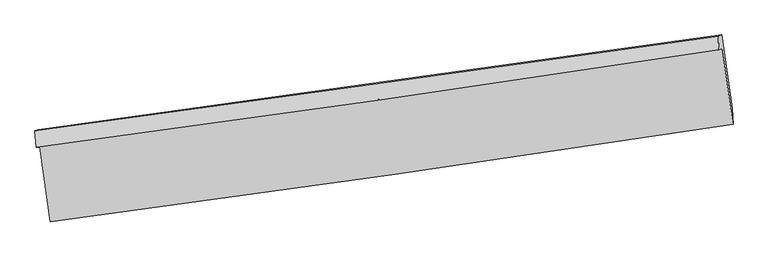
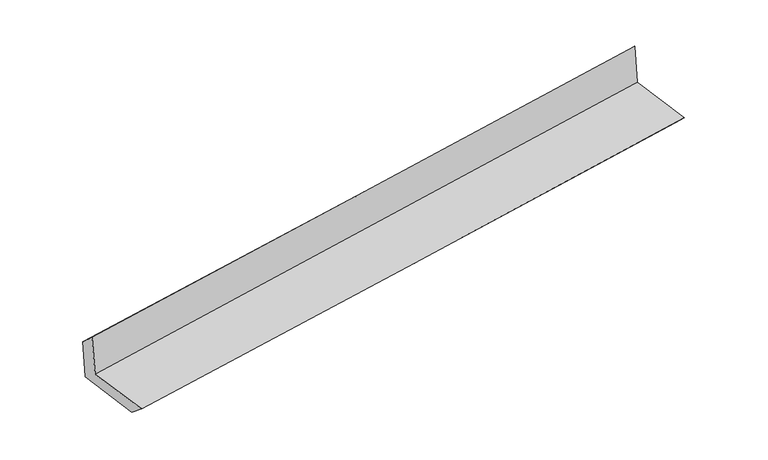
"""IFC4 building model written with IfcOpenShell, lengths in millimetres: proxy geometry."""

from ifc_helpers import new_model, si_unit, frame, origin, place, context, project, spatial, source, transform, mapped, element, save
from ifc_brep_helpers import plane_surface, spline_curve, spline_surface, advanced_brep


def generic_models_100b2df6(model_context):
    return source(origin(), model_context, "Body", "AdvancedBrep", [
        advanced_brep(
        [(-2999.4608956, -1925.2752924, 1641.6102868), (-2908.136268, -2576.6628537, 1637.6549426), (3046.3010217, -1729.3792872, 2136.1248877), (2953.3157208, -1070.2758009, 2147.2612633), (-3031.8895327, -1927.7570572, 2045.5236781), (2922.4192259, -1079.5624298, 2544.0090167), (-3041.7911797, -1783.0877193, 1918.4697203), (2916.4129857, -959.6371616, 2411.5514067), (-3010.9284499, -1777.1858182, 1527.9655996), (2946.962348, -948.6464659, 2016.1476971), (-2919.0545024, -2425.5148994, 1511.9747879), (3037.3430519, -1586.4601389, 2000.4546631)],
        [
            (0, 1),
            (1, 2, spline_curve(3, [(-2908.136268, -2576.6628537, 1637.6549426), (-1914.811604715, -2445.442671842, 1726.618431771), (-921.946066812, -2309.225602049, 1812.63934648), (1062.866362929, -2026.797742255, 1978.795992195), (2054.813254878, -1880.586956861, 2058.931726169), (3046.3010217, -1729.3792872, 2136.1248877)], [4, 2, 4], [0.0, 9.900218793443049, 19.800433639559067])),
            (2, 3),
            (3, 0, spline_curve(3, [(2953.3157208, -1070.2758009, 2147.2612633), (1961.579737772, -1220.399941878, 2071.261518878), (969.647126742, -1366.711956198, 1991.124074558), (-1014.611744915, -1651.711790019, 1822.57375244), (-2006.938006484, -1790.399605896, 1734.160871095), (-2999.4608956, -1925.2752924, 1641.6102868)], [4, 2, 4], [0.0, 9.900214846116018, 19.800433639559067])),
            (4, 0),
            (3, 5),
            (5, 4, spline_curve(3, [(2922.4192259, -1079.5624298, 2544.0090167), (1930.938599525, -1230.820713992, 2466.815000092), (939.005988871, -1377.132728386, 2386.677555877), (-1045.763596746, -1659.864274978, 2220.515778398), (-2038.600572438, -1796.283802703, 2134.491443298), (-3031.8895327, -1927.7570572, 2045.5236781)], [4, 2, 4], [0.0, 9.900216034873614, 19.80043601707473])),
            (6, 4),
            (5, 7),
            (7, 6, spline_curve(3, [(2916.4129857, -959.6371616, 2411.5514067), (1923.506228512, -1098.397029751, 2330.413925696), (930.535935151, -1236.397830138, 2248.755053004), (-1055.532119885, -1510.881349782, 2084.394491029), (-2048.629881801, -1647.364068742, 2001.692801687), (-3041.7911797, -1783.0877193, 1918.4697203)], [4, 2, 4], [0.0, 9.900019752321768, 19.80004345189278])),
            (8, 6),
            (7, 9),
            (9, 8, spline_curve(3, [(2946.962348, -948.6464659, 2016.1476971), (1953.233342355, -1086.835231071, 1944.160076353), (959.878038974, -1224.974545851, 1867.484433415), (-1026.085560887, -1501.154330207, 1704.757071544), (-2018.693856311, -1639.194799385, 1618.705348422), (-3010.9284499, -1777.1858182, 1527.9655996)], [4, 2, 4], [0.0, 9.89998517321861, 19.799974293672676])),
            (10, 8),
            (9, 11),
            (11, 10, spline_curve(3, [(3037.3430519, -1586.4601389, 2000.4546631), (2043.365172667, -1722.896337169, 1928.516671723), (1050.009868911, -1861.035652108, 1851.841029118), (-935.455982925, -2140.720570648, 1689.014407622), (-1927.566530624, -2282.266176121, 1602.863425427), (-2919.0545024, -2425.5148994, 1511.9747879)], [4, 2, 4], [0.0, 9.900069586818457, 19.80014312090603])),
            (1, 10),
            (11, 2),
        ],
        [
            spline_surface(3, 3, [[(-2999.4608956, -1925.2752924, 1641.6102868), (-2006.938006483, -1790.399605777, 1734.160871223), (-1014.611745077, -1651.711789876, 1822.573752404), (969.647126904, -1366.71195634, 1991.124074595), (1961.579737621, -1220.399941733, 2071.261518933), (2953.3157208, -1070.2758009, 2147.2612633)], [(-2969.019353069, -2142.404479513, 1640.291838735), (-1976.229205876, -2008.747294464, 1731.646724779), (-983.723185626, -1870.883060563, 1819.262283717), (1000.720205539, -1586.740551712, 1987.014713852), (1992.657576666, -1440.462280103, 2067.151588061), (2984.310821091, -1289.976963011, 2143.549138116)], [(-2938.577810531, -2359.533666587, 1638.973390665), (-1945.520405261, -2227.094983112, 1729.132578331), (-952.834626159, -2090.054331206, 1815.950815012), (1031.79328419, -1806.769147039, 1982.905353092), (2023.735415737, -1660.524618442, 2063.041657141), (3015.305921409, -1509.678125089, 2139.837012884)], [(-2908.136268, -2576.6628537, 1637.6549426), (-1914.811604653, -2445.442671798, 1726.618431887), (-921.946066708, -2309.225601893, 1812.639346326), (1062.866362825, -2026.79774241, 1978.79599235), (2054.813254781, -1880.586956812, 2058.931726269), (3046.3010217, -1729.3792872, 2136.1248877)]], [4, 4], [4, 2, 4], [0.0, 2.183125643513481], [0.0, 9.900218793443049, 19.800433639559067]),
            spline_surface(3, 3, [[(-3031.8895327, -1927.7570572, 2045.5236781), (-2038.600572427, -1796.28380282, 2134.491443362), (-1045.763596861, -1659.864274897, 2220.51577854), (939.005988987, -1377.132728468, 2386.677555735), (1930.938599604, -1230.82071396, 2466.815000073), (2922.4192259, -1079.5624298, 2544.0090167)], [(-3021.079987009, -1926.92980225, 1910.885880995), (-2028.046383789, -1794.322403789, 2001.047919311), (-1035.379646246, -1657.146779862, 2087.868436472), (949.219701646, -1373.659137731, 2254.826395332), (1941.152312263, -1227.347123224, 2334.96383967), (2932.718057521, -1076.466886839, 2411.759765544)], [(-3010.270441291, -1926.10254735, 1776.248083905), (-2017.492195122, -1792.361004808, 1867.604395274), (-1024.995695693, -1654.42928491, 1955.221094472), (959.433414244, -1370.185547077, 2122.975234998), (1951.366024962, -1223.873532469, 2203.112679336), (2943.016889179, -1073.371343861, 2279.510514456)], [(-2999.4608956, -1925.2752924, 1641.6102868), (-2006.938006483, -1790.399605777, 1734.160871223), (-1014.611745077, -1651.711789876, 1822.573752404), (969.647126904, -1366.71195634, 1991.124074595), (1961.579737621, -1220.399941733, 2071.261518933), (2953.3157208, -1070.2758009, 2147.2612633)]], [4, 4], [4, 2, 4], [0.0, 1.3059622754250129], [0.0, 9.900219982201117, 19.80043601707473]),
            spline_surface(3, 3, [[(-3041.7911797, -1783.0877193, 1918.4697203), (-2048.629881685, -1647.364068769, 2001.692801758), (-1055.532119914, -1510.881349884, 2084.394491163), (930.535935181, -1236.397830036, 2248.755052871), (1923.506228519, -1098.397029706, 2330.413925619), (2916.4129857, -959.6371616, 2411.5514067)], [(-3038.490630685, -1831.310831928, 1960.821039551), (-2045.286778584, -1697.003980114, 2045.959015611), (-1052.275945563, -1560.542324901, 2129.768253637), (933.35928645, -1283.30946286, 2294.729220507), (1925.983685559, -1142.538257776, 2375.88095044), (2918.415065778, -999.612250985, 2455.70394337)], [(-3035.190081715, -1879.533944572, 2003.172358849), (-2041.943675528, -1746.643891475, 2090.225229509), (-1049.019771213, -1610.203299879, 2175.142016066), (936.182637717, -1330.221095644, 2340.703388098), (1928.461142564, -1186.67948589, 2421.347975252), (2920.417145822, -1039.587340415, 2499.85648003)], [(-3031.8895327, -1927.7570572, 2045.5236781), (-2038.600572427, -1796.28380282, 2134.491443362), (-1045.763596861, -1659.864274897, 2220.51577854), (939.005988987, -1377.132728468, 2386.677555735), (1930.938599604, -1230.82071396, 2466.815000073), (2922.4192259, -1079.5624298, 2544.0090167)]], [4, 4], [4, 2, 4], [0.0, 0.6548729500359953], [0.0, 9.900023699571012, 19.80004345189278]),
            spline_surface(3, 3, [[(-3010.9284499, -1777.1858182, 1527.9655996), (-2018.693856413, -1639.194799347, 1618.705348394), (-1026.085560751, -1501.154330101, 1704.757071421), (959.878038838, -1224.974545957, 1867.484433539), (1953.233342494, -1086.835231112, 1944.160076299), (2946.962348, -948.6464659, 2016.1476971)], [(-3021.21602652, -1779.153118569, 1658.133639858), (-2028.672531523, -1641.917889156, 1746.367832873), (-1035.901080479, -1504.396670017, 1831.302878003), (950.097337612, -1228.782307305, 1994.574639984), (1943.324304504, -1090.689163975, 2072.911359397), (2936.779227235, -952.310031131, 2147.948933624)], [(-3031.50360308, -1781.120418931, 1788.301680042), (-2038.651206574, -1644.64097896, 1874.030317279), (-1045.716600186, -1507.639009968, 1957.848684581), (940.316636407, -1232.590068688, 2121.664846425), (1933.415266509, -1094.543096843, 2201.662642521), (2926.596106465, -955.973596369, 2279.750170176)], [(-3041.7911797, -1783.0877193, 1918.4697203), (-2048.629881685, -1647.364068769, 2001.692801758), (-1055.532119914, -1510.881349884, 2084.394491163), (930.535935181, -1236.397830036, 2248.755052871), (1923.506228519, -1098.397029706, 2330.413925619), (2916.4129857, -959.6371616, 2411.5514067)]], [4, 4], [4, 2, 4], [0.0, 1.2524093162306877], [0.0, 9.899989120454066, 19.799974293672676]),
            spline_surface(3, 3, [[(-2919.0545024, -2425.5148994, 1511.9747879), (-1927.566530728, -2282.266176113, 1602.863425534), (-935.455982979, -2140.72057078, 1689.01440772), (1050.009868965, -1861.035651977, 1851.841029019), (2043.365172621, -1722.896337132, 1928.51667188), (3037.3430519, -1586.4601389, 2000.4546631)], [(-2949.679151551, -2209.405205688, 1517.305058472), (-1957.942305941, -2067.909050545, 1608.144066493), (-965.665842244, -1927.531823898, 1694.261962273), (1019.965925581, -1649.015283314, 1857.055497178), (2013.321229238, -1510.87596847, 1933.731140038), (3007.216150592, -1373.855581244, 2005.685674452)], [(-2980.303800749, -1993.295511912, 1522.635329028), (-1988.3180812, -1853.551924914, 1613.424707435), (-995.875701486, -1714.343076983, 1699.509516868), (989.921982222, -1436.994914619, 1862.26996538), (1983.277285878, -1298.855599775, 1938.945608141), (2977.089249308, -1161.251023556, 2010.916685748)], [(-3010.9284499, -1777.1858182, 1527.9655996), (-2018.693856413, -1639.194799347, 1618.705348394), (-1026.085560751, -1501.154330101, 1704.757071421), (959.878038838, -1224.974545957, 1867.484433539), (1953.233342494, -1086.835231112, 1944.160076299), (2946.962348, -948.6464659, 2016.1476971)]], [4, 4], [4, 2, 4], [0.0, 2.114096515554648], [0.0, 9.900073534087571, 19.80014312090603]),
            spline_surface(3, 3, [[(-2908.136268, -2576.6628537, 1637.6549426), (-1914.811604653, -2445.442671798, 1726.618431887), (-921.946066708, -2309.225601893, 1812.639346326), (1062.866362825, -2026.79774241, 1978.79599235), (2054.813254781, -1880.586956812, 2058.931726269), (3046.3010217, -1729.3792872, 2136.1248877)], [(-2911.775679466, -2526.280202252, 1595.761557689), (-1919.063246677, -2391.050506556, 1685.366763091), (-926.449372132, -2253.057258188, 1771.431033472), (1058.580864871, -1971.543712265, 1936.477671255), (2050.997227411, -1828.023416908, 2015.460041467), (3043.315031783, -1681.739571089, 2090.901479494)], [(-2915.415090934, -2475.897550848, 1553.868172811), (-1923.314888704, -2336.658341356, 1644.11509433), (-930.952677555, -2196.888914485, 1730.222720574), (1054.295366919, -1916.289682122, 1894.159350114), (2047.181199992, -1775.459877036, 1971.988356682), (3040.329041817, -1634.099855011, 2045.678071306)], [(-2919.0545024, -2425.5148994, 1511.9747879), (-1927.566530728, -2282.266176113, 1602.863425534), (-935.455982979, -2140.72057078, 1689.01440772), (1050.009868965, -1861.035651977, 1851.841029019), (2043.365172621, -1722.896337132, 1928.51667188), (3037.3430519, -1586.4601389, 2000.4546631)]], [4, 4], [4, 2, 4], [0.0, 0.6866680793441678], [0.0, 9.900067533982185, 19.80013112069765]),
            plane_surface(frame((2970.459059, -1228.9935474, 2209.2581558), z_axis=(0.9871987732262958, 0.1379189898045508, 0.08010577002806418), x_axis=(-0.07700205822315614, -0.0277029085450512, 0.9966459912564453))),
            plane_surface(frame((-2985.210138, -2069.2472734, 1713.8665025), z_axis=(-0.9871987732261164, -0.1379189898060065, -0.0801057700277684), x_axis=(-0.13883972353920127, 0.9902966080170497, 0.006013261800733694))),
        ],
        [
            (0, [[1, 2, 3, 4]]),
            (1, [[5, -4, 6, 7]]),
            (2, [[8, -7, 9, 10]]),
            (3, [[11, -10, 12, 13]]),
            (4, [[14, -13, 15, 16]]),
            (5, [[17, -16, 18, -2]]),
            (6, [[-12, -9, -6, -3, -18, -15]]),
            (7, [[-1, -5, -8, -11, -14, -17]]),
        ],
    ),
    ])


if __name__ == "__main__":
    model = new_model("IFC4")
    model_context = context("Model", 3, world=origin())
    ifc_project = project(units=[si_unit("LENGTHUNIT", "METRE", prefix="MILLI")], contexts=[model_context])
    site = spatial("IfcSite", under=ifc_project)
    building = spatial("IfcBuilding", under=site)
    placement = place(None, origin())
    generic_models_shape = generic_models_100b2df6(model_context)
    element("IfcBuildingElementProxy", 1, Name="Generic Models", at=placement, inside=building, context=model_context, shape_type="MappedRepresentation", body=[
        mapped(generic_models_shape, transform((0.0, 0.0, 0.0), x_axis=(1.0, 0.0, 0.0), y_axis=(0.0, 1.0, 0.0), z_axis=(0.0, 0.0, 1.0))),
    ])
    save(model, "model.ifc")
